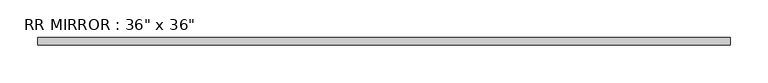
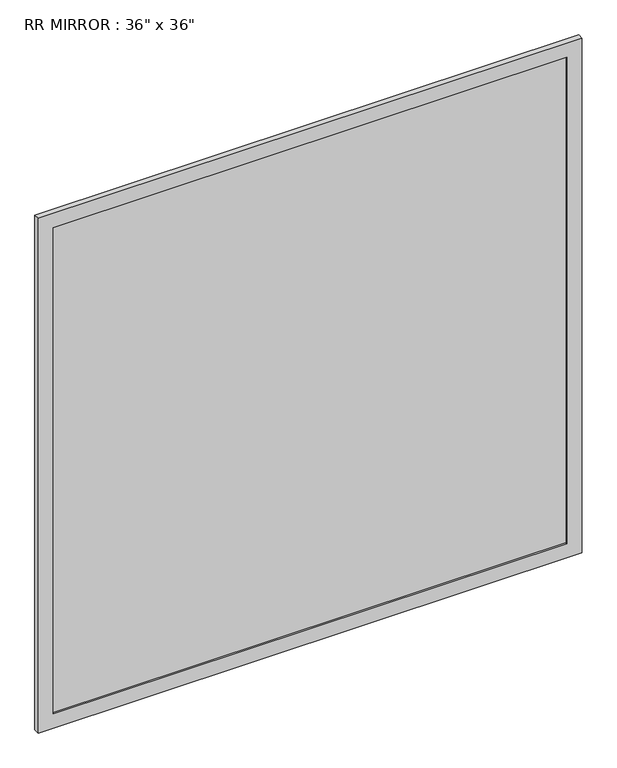
"""IFC4 building model written with IfcOpenShell, lengths in millimetres: proxy geometry."""

from ifc_helpers import new_model, si_unit, frame, origin, place, context, project, spatial, polyline, outline, extrude, source, transform, mapped, element, save


def proxy_067cac00(model_context):
    return source(origin(), model_context, "Body", "SweptSolid", [
        extrude(outline(polyline([(431.8, -61.9125), (431.8, -68.2625), (-431.8, -68.2625), (-431.8, -61.9125), (431.8, -61.9125)])), frame((0.0, 0.0, 939.8), z_axis=(0.0, 0.0, 1.0), x_axis=(1.0, 0.0, 0.0)), (0.0, 0.0, 1.0), 863.6),
        extrude(outline(polyline([(1828.8, -457.2), (914.4, -457.2), (914.4, 457.2), (1828.8, 457.2), (1828.8, -457.2)]), holes=[polyline([(1803.4, -431.8), (1803.4, 431.8), (939.8, 431.8), (939.8, -431.8), (1803.4, -431.8)])]), frame((0.0, -71.4375, 0.0), z_axis=(0.0, 1.0, 0.0), x_axis=(0.0, 0.0, 1.0)), (0.0, 0.0, 1.0), 9.525),
    ])


if __name__ == "__main__":
    model = new_model("IFC4")
    model_context = context("Model", 3, world=origin())
    ifc_project = project(units=[si_unit("LENGTHUNIT", "METRE", prefix="MILLI")], contexts=[model_context])
    site = spatial("IfcSite", under=ifc_project)
    building = spatial("IfcBuilding", under=site)
    placement = place(None, origin())
    proxy_shape = proxy_067cac00(model_context)
    element("IfcBuildingElementProxy", 1, Name="RR MIRROR : 36\" x 36\"", ObjectType="RR MIRROR : 36\" x 36\"", at=placement, inside=building, context=model_context, shape_type="MappedRepresentation", body=[
        mapped(proxy_shape, transform((0.0, 0.0, 0.0), x_axis=(1.0, 0.0, 0.0), y_axis=(0.0, 1.0, 0.0), z_axis=(0.0, 0.0, 1.0))),
    ])
    save(model, "model.ifc")
